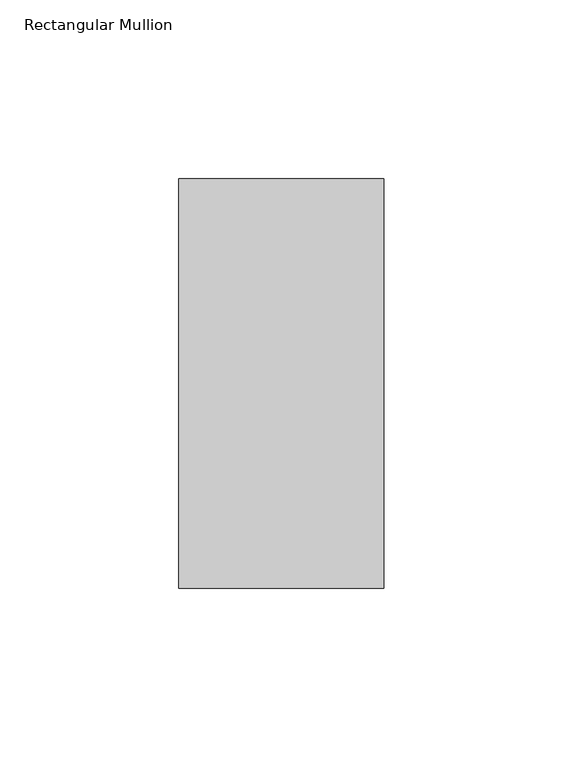
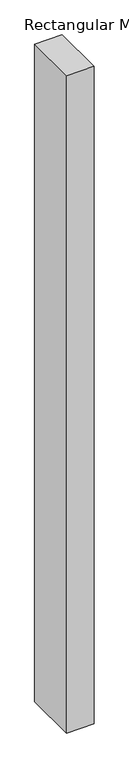
"""IFC4 building model written with IfcOpenShell, lengths in millimetres: member geometry, Rectangular Mullion."""

from ifc_helpers import new_model, si_unit, frame, origin, place, context, project, spatial, polyline, outline, extrude, source, transform, mapped, element, save


def rectangular_mullion_cba95f74(model_context):
    return source(origin(), model_context, "Body", "SweptSolid", [
        extrude(outline(polyline([(-57.15, -57.15), (-57.15, 57.15), (0.0, 57.15), (0.0, -57.15), (-57.15, -57.15)])), frame((0.0, 0.0, -1443.0375), z_axis=(0.0, 0.0, 1.0), x_axis=(1.0, 0.0, 0.0)), (0.0, 0.0, 1.0), 1443.0375),
    ])


if __name__ == "__main__":
    model = new_model("IFC4")
    model_context = context("Model", 3, world=origin())
    ifc_project = project(units=[si_unit("LENGTHUNIT", "METRE", prefix="MILLI")], contexts=[model_context])
    site = spatial("IfcSite", under=ifc_project)
    building = spatial("IfcBuilding", under=site)
    placement = place(None, origin())
    rectangular_mullion_shape = rectangular_mullion_cba95f74(model_context)
    element("IfcMember", 1, ObjectType="Rectangular Mullion", at=placement, inside=building, context=model_context, shape_type="MappedRepresentation", body=[
        mapped(rectangular_mullion_shape, transform((0.0, 0.0, 0.0), x_axis=(1.0, 0.0, 0.0), y_axis=(0.0, 1.0, 0.0), z_axis=(0.0, 0.0, 1.0))),
    ])
    save(model, "model.ifc")
